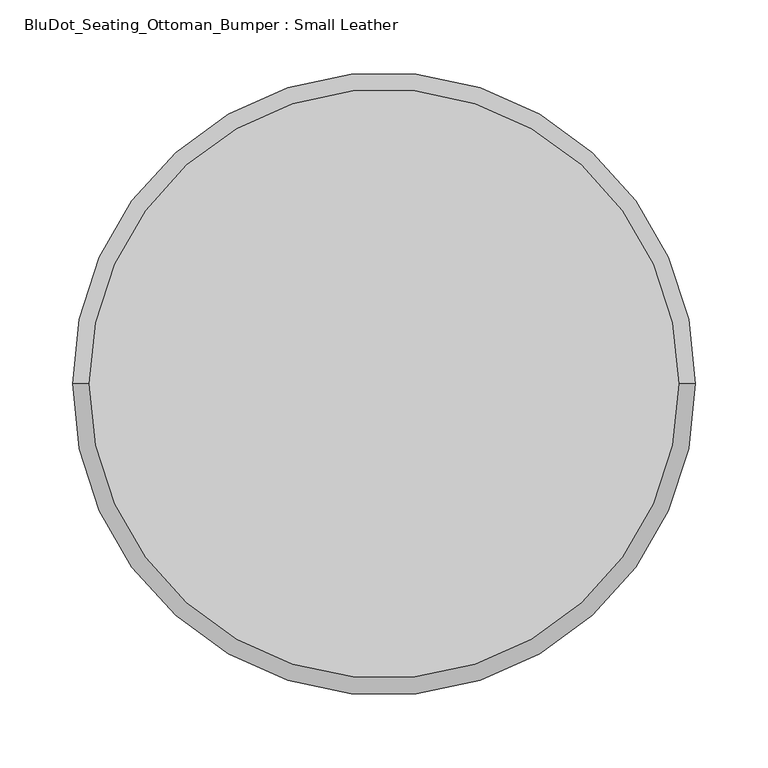
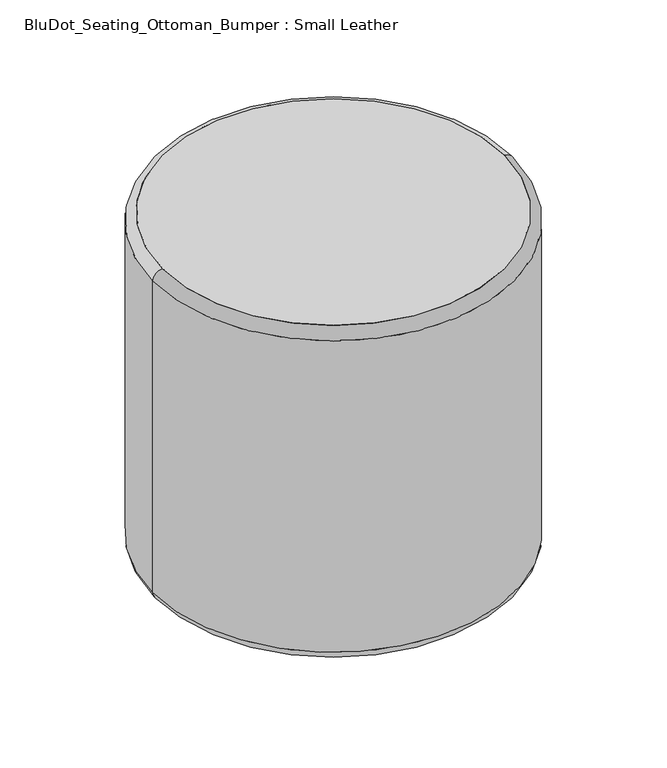
"""IFC4 building model written with IfcOpenShell, lengths in millimetres: furniture geometry, BluDot_Seating_Ottoman_Bumper : Small Leather."""

from ifc_helpers import new_model, si_unit, point, frame, origin, origin_with_axes, origin_2d, place, context, project, spatial, polyline, circle_curve, ellipse_curve, trimmed, segment, composite_curve, outline, extrude, source, transform, mapped, element, save
from ifc_brep_helpers import plane_surface, cylinder_surface, revolved_surface, advanced_brep


def bludot_seating_ottoman_bumper_small_leather_8a7d7400(model_context):
    return source(origin(), model_context, "Body", "SolidModel", [
        advanced_brep(
        [(-140.4187764, 0.0, 0.0), (-156.7612236, 0.0, 0.0), (-164.3812236, 0.0, 7.62), (-132.7987764, 0.0, 7.62), (-164.3812236, 0.0, 17.6288488), (-132.7987764, 0.0, 17.6288488), (-148.59, 0.0, 17.6288488), (-148.59, 0.0, 0.0)],
        [
            (0, 1, circle_curve(frame((-148.59, 0.0, 0.0), z_axis=(0.0, 0.0, 1.0), x_axis=(-1.0, 0.0, 0.0)), 8.1712236)),
            (1, 2, circle_curve(frame((-156.7612236, 0.0, 7.62), z_axis=(0.0, 1.0, 0.0), x_axis=(-1.0, 0.0, 0.0)), 7.62)),
            (2, 3, circle_curve(frame((-148.59, 0.0, 7.62), z_axis=(0.0, 0.0, -1.0), x_axis=(-1.0, 0.0, 0.0)), 15.7912236)),
            (3, 0, circle_curve(frame((-140.4187764, 0.0, 7.62), z_axis=(0.0, 1.0, 0.0), x_axis=(1.0, 0.0, 0.0)), 7.62)),
            (1, 0, circle_curve(frame((-148.59, 0.0, 0.0), z_axis=(0.0, 0.0, 1.0), x_axis=(-1.0, 0.0, 0.0)), 8.1712236)),
            (3, 2, circle_curve(frame((-148.59, 0.0, 7.62), z_axis=(0.0, 0.0, -1.0), x_axis=(-1.0, 0.0, 0.0)), 15.7912236)),
            (2, 4),
            (4, 5, circle_curve(frame((-148.59, 0.0, 17.6288488), z_axis=(0.0, 0.0, -1.0), x_axis=(-1.0, 0.0, 0.0)), 15.7912236)),
            (5, 3),
            (5, 4, circle_curve(frame((-148.59, 0.0, 17.6288488), z_axis=(0.0, 0.0, -1.0), x_axis=(-1.0, 0.0, 0.0)), 15.7912236)),
            (4, 6),
            (6, 5),
            (7, 1),
            (0, 7),
        ],
        [
            revolved_surface(trimmed(ellipse_curve(frame((-156.7612236, 0.0, 7.62), z_axis=(0.0, -1.0, 0.0), x_axis=(-1.0, 0.0, 0.0)), 7.62, 7.62), [point((-164.3812236, 0.0, 7.62))], [point((-156.7612236, 0.0, 0.0))], True, "CARTESIAN"), (-148.59, 0.0, -14.7424441), (0.0, 0.0, -1.0)),
            cylinder_surface(frame((-148.59, 0.0, -14.7424441), z_axis=(0.0, 0.0, -1.0), x_axis=(-1.0, 0.0, 0.0)), 15.7912236),
            plane_surface(frame((-148.59, 0.0, 17.6288488), z_axis=(0.0, 0.0, 1.0), x_axis=(-1.0, 0.0, 0.0))),
            plane_surface(frame((-148.59, 0.0, 0.0), z_axis=(0.0, 0.0, -1.0), x_axis=(-1.0, 0.0, 0.0))),
        ],
        [
            (0, [[1, 2, 3, 4]]),
            (0, [[5, -4, 6, -2]]),
            (1, [[-3, 7, 8, 9]]),
            (1, [[-6, -9, 10, -7]]),
            (2, [[-8, 11, 12]]),
            (2, [[-10, -12, -11]]),
            (3, [[13, -1, 14]]),
            (3, [[-14, -5, -13]]),
        ],
    ),
        advanced_brep(
        [(132.7987764, 0.0, 7.62), (164.3812236, 0.0, 7.62), (156.7612236, 0.0, 0.0), (140.4187764, 0.0, 0.0), (132.7987764, 0.0, 17.6288488), (164.3812236, 0.0, 17.6288488), (148.59, 0.0, 17.6288488), (148.59, 0.0, 0.0)],
        [
            (0, 1, circle_curve(frame((148.59, 0.0, 7.62), z_axis=(0.0, 0.0, -1.0), x_axis=(1.0, 0.0, 0.0)), 15.7912236)),
            (1, 2, circle_curve(frame((156.7612236, 0.0, 7.62), z_axis=(0.0, 1.0, 0.0), x_axis=(1.0, 0.0, 0.0)), 7.62)),
            (2, 3, circle_curve(frame((148.59, 0.0, 0.0), z_axis=(0.0, 0.0, 1.0), x_axis=(1.0, 0.0, 0.0)), 8.1712236)),
            (3, 0, circle_curve(frame((140.4187764, 0.0, 7.62), z_axis=(0.0, 1.0, 0.0), x_axis=(-1.0, 0.0, 0.0)), 7.62)),
            (1, 0, circle_curve(frame((148.59, 0.0, 7.62), z_axis=(0.0, 0.0, -1.0), x_axis=(1.0, 0.0, 0.0)), 15.7912236)),
            (3, 2, circle_curve(frame((148.59, 0.0, 0.0), z_axis=(0.0, 0.0, 1.0), x_axis=(1.0, 0.0, 0.0)), 8.1712236)),
            (4, 5, circle_curve(frame((148.59, 0.0, 17.6288488), z_axis=(0.0, 0.0, -1.0), x_axis=(1.0, 0.0, 0.0)), 15.7912236)),
            (5, 1),
            (0, 4),
            (5, 4, circle_curve(frame((148.59, 0.0, 17.6288488), z_axis=(0.0, 0.0, -1.0), x_axis=(1.0, 0.0, 0.0)), 15.7912236)),
            (6, 5),
            (4, 6),
            (2, 7),
            (7, 3),
        ],
        [
            revolved_surface(trimmed(ellipse_curve(frame((156.7612236, 0.0, 7.62), z_axis=(0.0, -1.0, 0.0), x_axis=(1.0, 0.0, 0.0)), 7.62, 7.62), [point((156.7612236, 0.0, 0.0))], [point((164.3812236, 0.0, 7.62))], True, "CARTESIAN"), (148.59, 0.0, -14.7424441), (0.0, 0.0, 1.0)),
            cylinder_surface(frame((148.59, 0.0, -14.7424441), z_axis=(0.0, 0.0, 1.0), x_axis=(1.0, 0.0, 0.0)), 15.7912236),
            plane_surface(frame((148.59, 0.0, 17.6288488), z_axis=(0.0, 0.0, 1.0), x_axis=(1.0, 0.0, 0.0))),
            plane_surface(frame((148.59, 0.0, 0.0), z_axis=(0.0, 0.0, -1.0), x_axis=(1.0, 0.0, 0.0))),
        ],
        [
            (0, [[1, 2, 3, 4]]),
            (0, [[5, -4, 6, -2]]),
            (1, [[7, 8, -1, 9]]),
            (1, [[10, -9, -5, -8]]),
            (2, [[11, -7, 12]]),
            (2, [[-12, -10, -11]]),
            (3, [[-3, 13, 14]]),
            (3, [[-6, -14, -13]]),
        ],
    ),
        advanced_brep(
        [(0.0, -140.4187764, 0.0), (0.0, -156.7612236, 0.0), (0.0, -164.3812236, 7.62), (0.0, -132.7987764, 7.62), (0.0, -164.3812236, 17.6288488), (0.0, -132.7987764, 17.6288488), (0.0, -148.59, 17.6288488), (0.0, -148.59, 0.0)],
        [
            (0, 1, circle_curve(frame((0.0, -148.59, 0.0), z_axis=(0.0, 0.0, 1.0), x_axis=(0.0, -1.0, 0.0)), 8.1712236)),
            (1, 2, circle_curve(frame((0.0, -156.7612236, 7.62), z_axis=(-1.0, 0.0, 0.0), x_axis=(0.0, -1.0, 0.0)), 7.62)),
            (2, 3, circle_curve(frame((0.0, -148.59, 7.62), z_axis=(0.0, 0.0, -1.0), x_axis=(0.0, -1.0, 0.0)), 15.7912236)),
            (3, 0, circle_curve(frame((0.0, -140.4187764, 7.62), z_axis=(-1.0, 0.0, 0.0), x_axis=(0.0, 1.0, 0.0)), 7.62)),
            (1, 0, circle_curve(frame((0.0, -148.59, 0.0), z_axis=(0.0, 0.0, 1.0), x_axis=(0.0, -1.0, 0.0)), 8.1712236)),
            (3, 2, circle_curve(frame((0.0, -148.59, 7.62), z_axis=(0.0, 0.0, -1.0), x_axis=(0.0, -1.0, 0.0)), 15.7912236)),
            (2, 4),
            (4, 5, circle_curve(frame((0.0, -148.59, 17.6288488), z_axis=(0.0, 0.0, -1.0), x_axis=(0.0, -1.0, 0.0)), 15.7912236)),
            (5, 3),
            (5, 4, circle_curve(frame((0.0, -148.59, 17.6288488), z_axis=(0.0, 0.0, -1.0), x_axis=(0.0, -1.0, 0.0)), 15.7912236)),
            (4, 6),
            (6, 5),
            (7, 1),
            (0, 7),
        ],
        [
            revolved_surface(trimmed(ellipse_curve(frame((0.0, -156.7612236, 7.62), z_axis=(1.0, 0.0, 0.0), x_axis=(0.0, -1.0, 0.0)), 7.62, 7.62), [point((0.0, -164.3812236, 7.62))], [point((0.0, -156.7612236, 0.0))], True, "CARTESIAN"), (0.0, -148.59, -14.7424441), (0.0, 0.0, -1.0)),
            cylinder_surface(frame((0.0, -148.59, -14.7424441), z_axis=(0.0, 0.0, -1.0), x_axis=(0.0, -1.0, 0.0)), 15.7912236),
            plane_surface(frame((0.0, -148.59, 17.6288488), z_axis=(0.0, 0.0, 1.0), x_axis=(0.0, -1.0, 0.0))),
            plane_surface(frame((0.0, -148.59, 0.0), z_axis=(0.0, 0.0, -1.0), x_axis=(0.0, -1.0, 0.0))),
        ],
        [
            (0, [[1, 2, 3, 4]]),
            (0, [[5, -4, 6, -2]]),
            (1, [[-3, 7, 8, 9]]),
            (1, [[-6, -9, 10, -7]]),
            (2, [[-8, 11, 12]]),
            (2, [[-10, -12, -11]]),
            (3, [[13, -1, 14]]),
            (3, [[-14, -5, -13]]),
        ],
    ),
        advanced_brep(
        [(0.0, 132.7987764, 7.62), (0.0, 164.3812236, 7.62), (0.0, 156.7612236, 0.0), (0.0, 140.4187764, 0.0), (0.0, 132.7987764, 17.6288488), (0.0, 164.3812236, 17.6288488), (0.0, 148.59, 17.6288488), (0.0, 148.59, 0.0)],
        [
            (0, 1, circle_curve(frame((0.0, 148.59, 7.62), z_axis=(0.0, 0.0, -1.0), x_axis=(0.0, 1.0, 0.0)), 15.7912236)),
            (1, 2, circle_curve(frame((0.0, 156.7612236, 7.62), z_axis=(-1.0, 0.0, 0.0), x_axis=(0.0, 1.0, 0.0)), 7.62)),
            (2, 3, circle_curve(frame((0.0, 148.59, 0.0), z_axis=(0.0, 0.0, 1.0), x_axis=(0.0, 1.0, 0.0)), 8.1712236)),
            (3, 0, circle_curve(frame((0.0, 140.4187764, 7.62), z_axis=(-1.0, 0.0, 0.0), x_axis=(0.0, -1.0, 0.0)), 7.62)),
            (1, 0, circle_curve(frame((0.0, 148.59, 7.62), z_axis=(0.0, 0.0, -1.0), x_axis=(0.0, 1.0, 0.0)), 15.7912236)),
            (3, 2, circle_curve(frame((0.0, 148.59, 0.0), z_axis=(0.0, 0.0, 1.0), x_axis=(0.0, 1.0, 0.0)), 8.1712236)),
            (4, 5, circle_curve(frame((0.0, 148.59, 17.6288488), z_axis=(0.0, 0.0, -1.0), x_axis=(0.0, 1.0, 0.0)), 15.7912236)),
            (5, 1),
            (0, 4),
            (5, 4, circle_curve(frame((0.0, 148.59, 17.6288488), z_axis=(0.0, 0.0, -1.0), x_axis=(0.0, 1.0, 0.0)), 15.7912236)),
            (6, 5),
            (4, 6),
            (2, 7),
            (7, 3),
        ],
        [
            revolved_surface(trimmed(ellipse_curve(frame((0.0, 156.7612236, 7.62), z_axis=(1.0, 0.0, 0.0), x_axis=(0.0, 1.0, 0.0)), 7.62, 7.62), [point((0.0, 156.7612236, 0.0))], [point((0.0, 164.3812236, 7.62))], True, "CARTESIAN"), (0.0, 148.59, -14.7424441), (0.0, 0.0, 1.0)),
            cylinder_surface(frame((0.0, 148.59, -14.7424441), z_axis=(0.0, 0.0, 1.0), x_axis=(0.0, 1.0, 0.0)), 15.7912236),
            plane_surface(frame((0.0, 148.59, 17.6288488), z_axis=(0.0, 0.0, 1.0), x_axis=(0.0, 1.0, 0.0))),
            plane_surface(frame((0.0, 148.59, 0.0), z_axis=(0.0, 0.0, -1.0), x_axis=(0.0, 1.0, 0.0))),
        ],
        [
            (0, [[1, 2, 3, 4]]),
            (0, [[5, -4, 6, -2]]),
            (1, [[7, 8, -1, 9]]),
            (1, [[10, -9, -5, -8]]),
            (2, [[11, -7, 12]]),
            (2, [[-12, -10, -11]]),
            (3, [[-3, 13, 14]]),
            (3, [[-6, -14, -13]]),
        ],
    ),
        extrude(outline(composite_curve([segment(trimmed(circle_curve(origin_2d(), 203.2), [point((-203.2, 0.0))], [point((203.2, 0.0))], False, "CARTESIAN"), True, "CONTINUOUS"), segment(trimmed(circle_curve(origin_2d(), 203.2), [point((203.2, 0.0))], [point((-203.2, 0.0))], False, "CARTESIAN"), True, "CONTINUOUS")], self_intersect=False)), frame((0.0, 0.0, 17.6288488), z_axis=(0.0, 0.0, 1.0), x_axis=(1.0, 0.0, 0.0)), (0.0, 0.0, 1.0), 414.1711512),
        advanced_brep(
        [(214.7765461, 0.0, 420.2793542), (-214.7765461, 0.0, 420.2793542), (-214.7765461, 0.0, 29.2053949), (214.7765461, 0.0, 29.2053949), (203.2, 0.0, 431.8), (-203.2, 0.0, 431.8), (203.2, 0.0, 17.6288488), (-203.2, 0.0, 17.6288488)],
        [
            (0, 1, circle_curve(frame((0.0, 0.0, 420.2793542), z_axis=(0.0, 0.0, -1.0), x_axis=(-1.0, 0.0, 0.0)), 214.7765461)),
            (1, 2),
            (2, 3, circle_curve(frame((0.0, 0.0, 29.2053949), z_axis=(0.0, 0.0, 1.0), x_axis=(-1.0, 0.0, 0.0)), 214.7765461)),
            (3, 0),
            (4, 5, circle_curve(frame((0.0, 0.0, 431.8), z_axis=(0.0, 0.0, -1.0), x_axis=(-1.0, 0.0, 0.0)), 203.2)),
            (5, 1, circle_curve(frame((-203.2557653, 0.0, 420.2793542), z_axis=(0.0, -1.0, 0.0), x_axis=(1.0, 0.0, 0.0)), 11.5207808)),
            (0, 4, circle_curve(frame((203.2557653, 0.0, 420.2793542), z_axis=(0.0, -1.0, 0.0), x_axis=(-1.0, 0.0, 0.0)), 11.5207808)),
            (6, 7, circle_curve(frame((0.0, 0.0, 17.6288488), z_axis=(0.0, 0.0, -1.0), x_axis=(-1.0, 0.0, 0.0)), 203.2)),
            (7, 5),
            (4, 6),
            (2, 7, circle_curve(frame((-203.2, 0.0, 29.2053949), z_axis=(0.0, -1.0, 0.0), x_axis=(1.0, 0.0, 0.0)), 11.5765461)),
            (6, 3, circle_curve(frame((203.2, 0.0, 29.2053949), z_axis=(0.0, -1.0, 0.0), x_axis=(-1.0, 0.0, 0.0)), 11.5765461)),
            (1, 0, circle_curve(frame((0.0, 0.0, 420.2793542), z_axis=(0.0, 0.0, -1.0), x_axis=(1.0, 0.0, 0.0)), 214.7765461)),
            (3, 2, circle_curve(frame((0.0, 0.0, 29.2053949), z_axis=(0.0, 0.0, 1.0), x_axis=(1.0, 0.0, 0.0)), 214.7765461)),
            (5, 4, circle_curve(frame((0.0, 0.0, 431.8), z_axis=(0.0, 0.0, -1.0), x_axis=(1.0, 0.0, 0.0)), 203.2)),
            (7, 6, circle_curve(frame((0.0, 0.0, 17.6288488), z_axis=(0.0, 0.0, -1.0), x_axis=(1.0, 0.0, 0.0)), 203.2)),
        ],
        [
            cylinder_surface(frame((0.0, 0.0, 0.0), z_axis=(0.0, 0.0, 1.0), x_axis=(-1.0, 0.0, 0.0)), 214.7765461),
            revolved_surface(trimmed(ellipse_curve(frame((-203.2557653, 0.0, 420.2793542), z_axis=(0.0, 1.0, 0.0), x_axis=(1.0, 0.0, 0.0)), 11.5207808, 11.5207808), [point((-214.7765461, 0.0, 420.2793542))], [point((-203.2, 0.0, 431.8))], True, "CARTESIAN"), (0.0, 0.0, 0.0), (0.0, 0.0, 1.0)),
            revolved_surface(polyline([(-203.2, 0.0, 431.8), (-203.2, 0.0, 17.6288488)]), (0.0, 0.0, 0.0), (0.0, 0.0, 1.0)),
            revolved_surface(trimmed(ellipse_curve(frame((-203.2, 0.0, 29.2053949), z_axis=(0.0, 1.0, 0.0), x_axis=(1.0, 0.0, 0.0)), 11.5765461, 11.5765461), [point((-203.2, 0.0, 17.6288488))], [point((-214.7765461, 0.0, 29.2053949))], True, "CARTESIAN"), (0.0, 0.0, 0.0), (0.0, 0.0, 1.0)),
            cylinder_surface(origin_with_axes(), 214.7765461),
            revolved_surface(trimmed(ellipse_curve(frame((203.2557653, 0.0, 420.2793542), z_axis=(0.0, -1.0, 0.0), x_axis=(-1.0, 0.0, 0.0)), 11.5207808, 11.5207808), [point((214.7765461, 0.0, 420.2793542))], [point((203.2, 0.0, 431.8))], True, "CARTESIAN"), (0.0, 0.0, 0.0), (0.0, 0.0, 1.0)),
            revolved_surface(polyline([(203.2, 0.0, 431.8), (203.2, 0.0, 17.6288488)]), (0.0, 0.0, 0.0), (0.0, 0.0, 1.0)),
            revolved_surface(trimmed(ellipse_curve(frame((203.2, 0.0, 29.2053949), z_axis=(0.0, -1.0, 0.0), x_axis=(-1.0, 0.0, 0.0)), 11.5765461, 11.5765461), [point((203.2, 0.0, 17.6288488))], [point((214.7765461, 0.0, 29.2053949))], True, "CARTESIAN"), (0.0, 0.0, 0.0), (0.0, 0.0, 1.0)),
        ],
        [
            (0, [[1, 2, 3, 4]]),
            (1, [[5, 6, -1, 7]]),
            (2, [[8, 9, -5, 10]]),
            (3, [[-3, 11, -8, 12]]),
            (4, [[13, -4, 14, -2]]),
            (5, [[15, -7, -13, -6]]),
            (6, [[16, -10, -15, -9]]),
            (7, [[-14, -12, -16, -11]]),
        ],
    ),
    ])


if __name__ == "__main__":
    model = new_model("IFC4")
    model_context = context("Model", 3, world=origin())
    ifc_project = project(units=[si_unit("LENGTHUNIT", "METRE", prefix="MILLI")], contexts=[model_context])
    site = spatial("IfcSite", under=ifc_project)
    building = spatial("IfcBuilding", under=site)
    placement = place(None, origin())
    bludot_seating_ottoman_bumper_small_leather_shape = bludot_seating_ottoman_bumper_small_leather_8a7d7400(model_context)
    element("IfcFurniture", 1, ObjectType="BluDot_Seating_Ottoman_Bumper : Small Leather", at=placement, inside=building, context=model_context, shape_type="MappedRepresentation", body=[
        mapped(bludot_seating_ottoman_bumper_small_leather_shape, transform((0.0, 0.0, 0.0), x_axis=(1.0, 0.0, 0.0), y_axis=(0.0, 1.0, 0.0), z_axis=(0.0, 0.0, 1.0))),
    ])
    save(model, "model.ifc")
